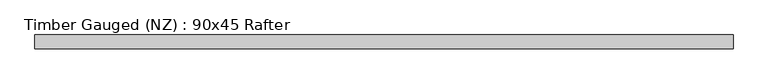
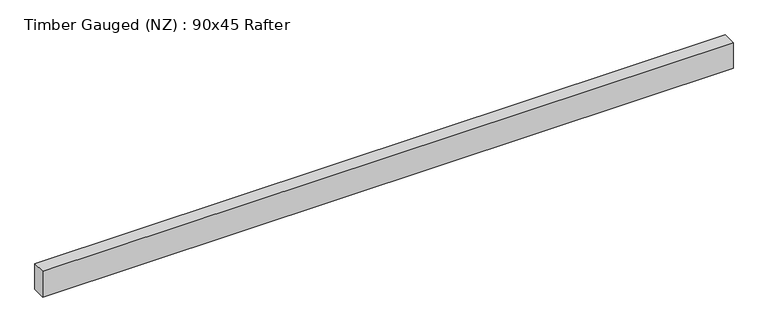
"""IFC4 building model written with IfcOpenShell, lengths in millimetres: beam geometry, Timber Gauged (NZ) : 90x45 Rafter."""

from ifc_helpers import new_model, si_unit, frame, origin, place, context, project, spatial, polyline, outline, extrude, source, transform, mapped, element, save


def timber_gauged_nz_90x45_rafter_d37b0bd0(model_context):
    return source(origin(), model_context, "Body", "SweptSolid", [
        extrude(outline(polyline([(970.0, 22.5), (970.0, -22.5), (-1315.6512032, -22.5), (-1315.6512032, 22.5), (970.0, 22.5)])), frame((0.0, 0.0, -45.0), z_axis=(0.0, 0.0, 1.0), x_axis=(1.0, 0.0, 0.0)), (0.0, 0.0, 1.0), 90.0),
    ])


if __name__ == "__main__":
    model = new_model("IFC4")
    model_context = context("Model", 3, world=origin())
    ifc_project = project(units=[si_unit("LENGTHUNIT", "METRE", prefix="MILLI")], contexts=[model_context])
    site = spatial("IfcSite", under=ifc_project)
    building = spatial("IfcBuilding", under=site)
    placement = place(None, origin())
    timber_gauged_nz_90x45_rafter_shape = timber_gauged_nz_90x45_rafter_d37b0bd0(model_context)
    element("IfcBeam", 1, ObjectType="Timber Gauged (NZ) : 90x45 Rafter", at=placement, inside=building, context=model_context, shape_type="MappedRepresentation", body=[
        mapped(timber_gauged_nz_90x45_rafter_shape, transform((0.0, 0.0, 0.0), x_axis=(1.0, 0.0, 0.0), y_axis=(0.0, 1.0, 0.0), z_axis=(0.0, 0.0, 1.0))),
    ])
    save(model, "model.ifc")
